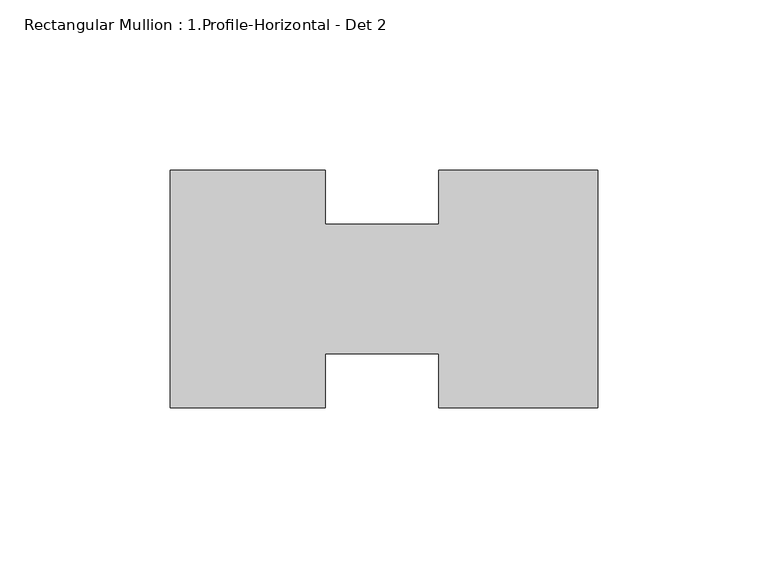
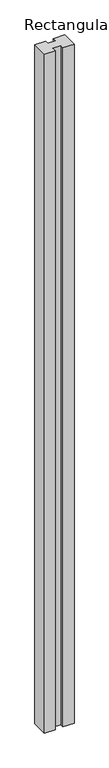
"""IFC4 building model written with IfcOpenShell, lengths in millimetres: member geometry, Rectangular Mullion : 1.Profile-Horizontal - Det 2."""

import ifcopenshell
import ifcopenshell.guid

model = None  # the IFC model being written
_history = None  # IfcOwnerHistory: only IFC2X3 demands one
_inside = {}  # id of a spatial element -> (the spatial element, [elements in it])
_under = {}  # id of a project, library or spatial element -> (it, [spatial elements below it])
_declared = {}  # id of a project -> (the project, [libraries it declares])
_typed = {}  # id of a type object -> (the type object, [elements of that type])
_made_of = {}  # id of a material, layer set ... -> (it, [elements and type objects made of it])


def new_model(schema):
    """Start an empty IFC model of exactly this schema.

    Asked for "IFC4X3", IfcOpenShell would pick the latest addendum, in which some entities
    have other attributes; the version numbers below select the first issue.
    IFC2X3 requires an IfcOwnerHistory on every rooted entity: one is made here for all.
    """
    global model, _history
    if schema == "IFC4X3":
        model = ifcopenshell.file(schema_version=(4, 3, 0, 0))
    else:
        model = ifcopenshell.file(schema=schema)
    _inside.clear()
    _under.clear()
    _declared.clear()
    _typed.clear()
    _made_of.clear()
    _history = None
    if model.schema == "IFC2X3":
        org = make("IfcOrganization", Name="unknown")
        user = make(
            "IfcPersonAndOrganization",
            ThePerson=make("IfcPerson", FamilyName="unknown"),
            TheOrganization=org,
        )
        app = make(
            "IfcApplication",
            ApplicationDeveloper=org,
            Version="unknown",
            ApplicationFullName="unknown",
            ApplicationIdentifier="unknown",
        )
        _history = make(
            "IfcOwnerHistory",
            OwningUser=user,
            OwningApplication=app,
            ChangeAction="ADDED",
            CreationDate=0,
        )
    return model


def make(cls, **values):
    """One entity of the class cls with the attributes given. An attribute that is None is left unset."""
    return model.create_entity(
        cls, **{name: value for name, value in values.items() if value is not None}
    )


def rooted(cls, **values):
    """An entity with a GlobalId (a new one), such as an element, a storey or a relation."""
    return make(cls, GlobalId=ifcopenshell.guid.new(), OwnerHistory=_history, **values)


def si_unit(unit_type, name, prefix=None):
    """IfcSIUnit, for example si_unit("LENGTHUNIT", "METRE", prefix="MILLI")."""
    return make("IfcSIUnit", UnitType=unit_type, Prefix=prefix, Name=name)


def assignment(units):
    """IfcUnitAssignment: the units of a project."""
    return None if units is None else make("IfcUnitAssignment", Units=units)


def point(xyz):
    """IfcCartesianPoint."""
    return None if xyz is None else make("IfcCartesianPoint", Coordinates=xyz)


def direction(xyz):
    """IfcDirection."""
    return None if xyz is None else make("IfcDirection", DirectionRatios=xyz)


def frame(location, z_axis=None, x_axis=None):
    """IfcAxis2Placement3D, a coordinate frame: its origin and axes. An axis left out is left unset."""
    return make(
        "IfcAxis2Placement3D",
        Location=point(location),
        Axis=direction(z_axis),
        RefDirection=direction(x_axis),
    )


def origin():
    """The frame at (0, 0, 0) with its axes left unset."""
    return frame((0.0, 0.0, 0.0))


def place(relative_to, where):
    """IfcLocalPlacement: puts the frame where relative to a parent placement (None: the world)."""
    return make(
        "IfcLocalPlacement", PlacementRelTo=relative_to, RelativePlacement=where
    )


def context(
    kind, dimensions, precision=None, world=None, true_north=None, identifier=None
):
    """IfcGeometricRepresentationContext, for example the 3D "Model" context."""
    return make(
        "IfcGeometricRepresentationContext",
        ContextIdentifier=identifier,
        ContextType=kind,
        CoordinateSpaceDimension=dimensions,
        Precision=precision,
        WorldCoordinateSystem=world,
        TrueNorth=true_north,
    )


def project(units=None, contexts=None):
    """IfcProject with its units and contexts."""
    return rooted(
        "IfcProject",
        Name="project",
        RepresentationContexts=contexts,
        UnitsInContext=assignment(units),
    )


def spatial(cls, under=None, at=None, **own):
    """A site, building, storey or space (cls), placed at a placement, below another one or the project."""
    s = rooted(cls, ObjectPlacement=at, **own)
    if under is not None:
        _under.setdefault(under.id(), (under, []))[1].append(s)
    return s


def polyline(points):
    """IfcPolyline through the points."""
    return make("IfcPolyline", Points=[point(p) for p in points])


def outline(outer, holes=None, kind="AREA"):
    """IfcArbitraryClosedProfileDef: a profile drawn as a closed curve; with holes, ...WithVoids."""
    if holes is None:
        return make("IfcArbitraryClosedProfileDef", ProfileType=kind, OuterCurve=outer)
    return make(
        "IfcArbitraryProfileDefWithVoids",
        ProfileType=kind,
        OuterCurve=outer,
        InnerCurves=holes,
    )


def extrude(swept, where, along, depth):
    """IfcExtrudedAreaSolid: the profile swept, set in the frame where, extruded along a direction by depth."""
    return make(
        "IfcExtrudedAreaSolid",
        SweptArea=swept,
        Position=where,
        ExtrudedDirection=direction(along),
        Depth=depth,
    )


def shape(context_of_items, identifier, shape_type, items):
    """IfcShapeRepresentation: the items that make up one representation, for example the "Body"."""
    return make(
        "IfcShapeRepresentation",
        ContextOfItems=context_of_items,
        RepresentationIdentifier=identifier,
        RepresentationType=shape_type,
        Items=items,
    )


def source(mapping_origin, context_of_items, identifier, shape_type, items):
    """IfcRepresentationMap: a shape defined once, which mapped items show again and again."""
    return make(
        "IfcRepresentationMap",
        MappingOrigin=mapping_origin,
        MappedRepresentation=shape(context_of_items, identifier, shape_type, items),
    )


def transform(
    local_origin,
    x_axis=None,
    y_axis=None,
    z_axis=None,
    scale=None,
    scale2=None,
    scale3=None,
    uniform=True,
):
    """IfcCartesianTransformationOperator3D, or its non-uniform kind. x_axis, y_axis, z_axis: its Axis1, 2, 3."""
    if uniform:
        return make(
            "IfcCartesianTransformationOperator3D",
            Axis1=direction(x_axis),
            Axis2=direction(y_axis),
            LocalOrigin=point(local_origin),
            Scale=scale,
            Axis3=direction(z_axis),
        )
    return make(
        "IfcCartesianTransformationOperator3DnonUniform",
        Axis1=direction(x_axis),
        Axis2=direction(y_axis),
        LocalOrigin=point(local_origin),
        Scale=scale,
        Axis3=direction(z_axis),
        Scale2=scale2,
        Scale3=scale3,
    )


def mapped(mapping_source, mapping_target):
    """IfcMappedItem: shows the shape of a source again, moved by a transform."""
    return make(
        "IfcMappedItem", MappingSource=mapping_source, MappingTarget=mapping_target
    )


def made_of(thing, what):
    """Note that an element or type object is made of a material, layer set ...; save() writes the relation."""
    if what is not None:
        _made_of.setdefault(what.id(), (what, []))[1].append(thing)
    return thing


def element(
    cls,
    number,
    at=None,
    inside=None,
    cuts=None,
    type_object=None,
    material=None,
    context=None,
    identifier="Body",
    shape_type=None,
    held_by="IfcProductDefinitionShape",
    body=None,
    shapes=None,
    **own,
):
    """One element of the class cls, such as IfcWall. Its Tag is "e" and its number.

    at: its placement. inside: the storey or other place that contains it. cuts: it is an
    opening in that element (IfcRelVoidsElement). A single representation is given by context,
    identifier, shape_type and body (its items); several are given by shapes. held_by: the class
    of the entity that holds the representations. save() writes the other relations.
    """
    e = rooted(cls, Tag="e%d" % number, ObjectPlacement=at, **own)
    if body is not None:
        shapes = [shape(context, identifier, shape_type, body)]
    if shapes is not None:
        e.Representation = make(held_by, Representations=shapes)
    if inside is not None:
        _inside.setdefault(inside.id(), (inside, []))[1].append(e)
    if cuts is not None:
        rooted(
            "IfcRelVoidsElement", RelatingBuildingElement=cuts, RelatedOpeningElement=e
        )
    if type_object is not None:
        _typed.setdefault(type_object.id(), (type_object, []))[1].append(e)
    return made_of(e, material)


def aggregate(whole, parts):
    """IfcRelAggregates: a whole, such as a stair, and the parts it consists of."""
    return rooted("IfcRelAggregates", RelatingObject=whole, RelatedObjects=parts)


def save(model, path):
    """Write the relations noted so far, then the file.

    IfcRelAggregates (storeys below a building ...), IfcRelContainedInSpatialStructure (elements
    in a storey), IfcRelDefinesByType, IfcRelAssociatesMaterial and IfcRelDeclares: one each for
    every whole, place, type object, material and project.
    """
    for whole, parts in _under.values():
        aggregate(whole, parts)
    for where, things in _inside.values():
        rooted(
            "IfcRelContainedInSpatialStructure",
            RelatedElements=things,
            RelatingStructure=where,
        )
    for kind, things in _typed.values():
        rooted("IfcRelDefinesByType", RelatedObjects=things, RelatingType=kind)
    for what, things in _made_of.values():
        rooted("IfcRelAssociatesMaterial", RelatedObjects=things, RelatingMaterial=what)
    for by, libraries in _declared.values():
        rooted("IfcRelDeclares", RelatingContext=by, RelatedDefinitions=libraries)
    model.write(path)


def rectangular_mullion_1_profile_horizontal_det_2_bae211ba(model_context):
    return source(origin(), model_context, "Body", "SweptSolid", [
        extrude(outline(polyline([(-80.20749, 19.05), (-46.8444686, 19.05), (-46.8444686, 34.925), (0.0, 34.925), (0.0, -34.925), (-46.8503, -34.925), (-46.8503, -19.05), (-80.20749, -19.05), (-80.20749, -34.925), (-125.7808, -34.925), (-125.7808, 34.925), (-80.20749, 34.925), (-80.20749, 19.05)])), frame((0.0, 0.0, -3048.0), z_axis=(0.0, 0.0, 1.0), x_axis=(1.0, 0.0, 0.0)), (0.0, 0.0, 1.0), 3048.0),
    ])


if __name__ == "__main__":
    model = new_model("IFC4")
    model_context = context("Model", 3, world=origin())
    ifc_project = project(units=[si_unit("LENGTHUNIT", "METRE", prefix="MILLI")], contexts=[model_context])
    site = spatial("IfcSite", under=ifc_project)
    building = spatial("IfcBuilding", under=site)
    placement = place(None, origin())
    rectangular_mullion_1_profile_horizontal_det_2_shape = rectangular_mullion_1_profile_horizontal_det_2_bae211ba(model_context)
    element("IfcMember", 1, ObjectType="Rectangular Mullion : 1.Profile-Horizontal - Det 2", at=placement, inside=building, context=model_context, shape_type="MappedRepresentation", body=[
        mapped(rectangular_mullion_1_profile_horizontal_det_2_shape, transform((0.0, 0.0, 0.0), x_axis=(1.0, 0.0, 0.0), y_axis=(0.0, 1.0, 0.0), z_axis=(0.0, 0.0, 1.0))),
    ])
    save(model, "model.ifc")
